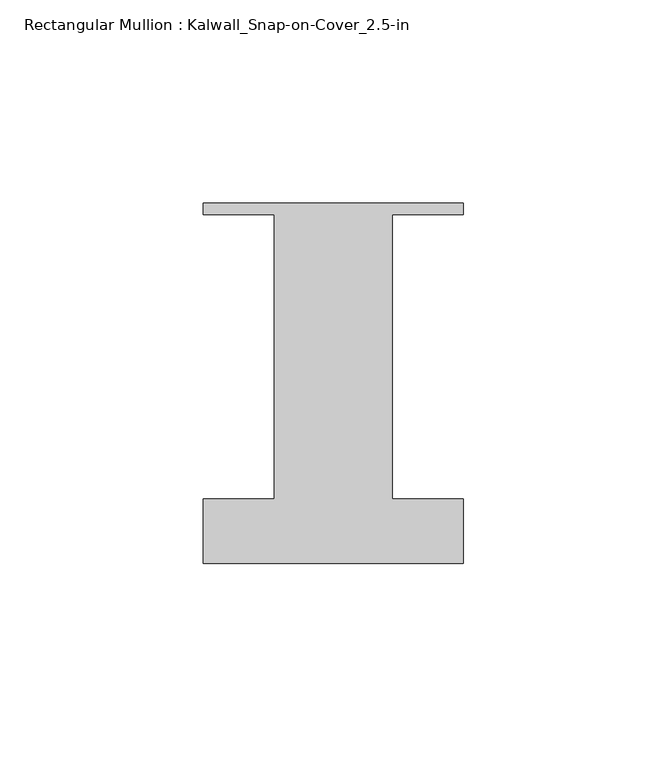
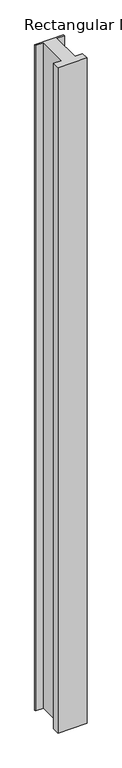
"""IFC4 building model written with IfcOpenShell, lengths in millimetres: member geometry, Rectangular Mullion : Kalwall_Snap-on-Cover_2.5-in."""

from ifc_helpers import new_model, si_unit, frame, origin, place, context, project, spatial, polyline, outline, extrude, source, transform, mapped, element, save


def rectangular_mullion_kalwall_snap_on_cover_2_5_in_ab37cfa6(model_context):
    return source(origin(), model_context, "Body", "SweptSolid", [
        extrude(outline(polyline([(-32.0, 37.794), (32.0, 37.794), (32.0, 35.0), (14.5, 35.0), (14.5, -35.0), (32.0, -35.0), (32.0, -50.875), (-32.0, -50.875), (-32.0, -35.0), (-14.5, -35.0), (-14.5, 35.0), (-32.0, 35.0), (-32.0, 37.794)])), frame((0.0, 0.0, -1552.971875), z_axis=(0.0, 0.0, 1.0), x_axis=(1.0, 0.0, 0.0)), (0.0, 0.0, 1.0), 1552.971875),
    ])


if __name__ == "__main__":
    model = new_model("IFC4")
    model_context = context("Model", 3, world=origin())
    ifc_project = project(units=[si_unit("LENGTHUNIT", "METRE", prefix="MILLI")], contexts=[model_context])
    site = spatial("IfcSite", under=ifc_project)
    building = spatial("IfcBuilding", under=site)
    placement = place(None, origin())
    rectangular_mullion_kalwall_snap_on_cover_2_5_in_shape = rectangular_mullion_kalwall_snap_on_cover_2_5_in_ab37cfa6(model_context)
    element("IfcMember", 1, ObjectType="Rectangular Mullion : Kalwall_Snap-on-Cover_2.5-in", at=placement, inside=building, context=model_context, shape_type="MappedRepresentation", body=[
        mapped(rectangular_mullion_kalwall_snap_on_cover_2_5_in_shape, transform((0.0, 0.0, 0.0), x_axis=(1.0, 0.0, 0.0), y_axis=(0.0, 1.0, 0.0), z_axis=(0.0, 0.0, 1.0))),
    ])
    save(model, "model.ifc")
